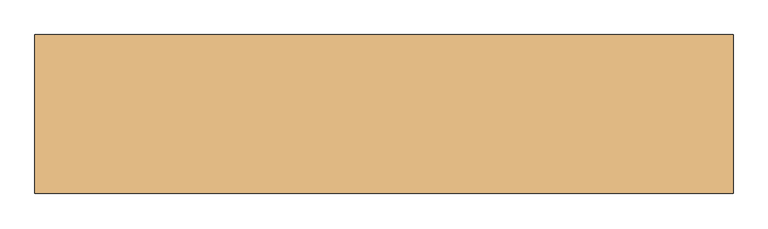
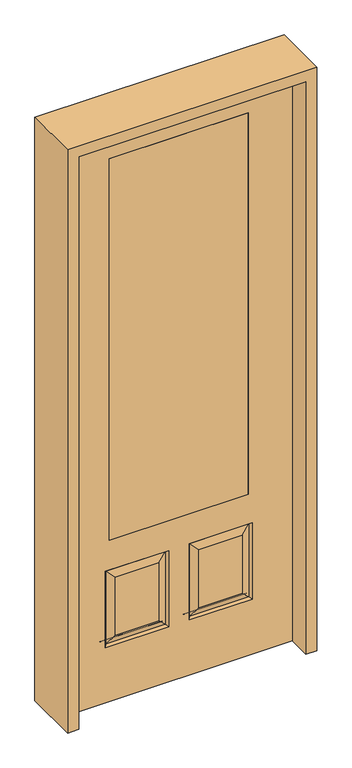
"""IFC4 building model written with IfcOpenShell, lengths in millimetres: door geometry."""

from ifc_helpers import new_model, si_unit, frame, origin, place, context, project, spatial, polyline, outline, extrude, faceted_brep, source, transform, mapped, element, save


def door_28e4799d(model_context):
    return source(origin(), model_context, "Body", "SolidModel", [
        faceted_brep([(279.4, 20.6375, 685.8), (279.4, -20.6375, 685.8), (279.4, -20.6375, 2311.4), (279.4, 20.6375, 2311.4), (-279.4, 20.6375, 685.8), (-279.4, -20.6375, 685.8), (-80.1727627, 20.6375, 273.8477627), (-256.3772373, 20.6375, 273.8477627), (-256.3772373, 20.6375, 520.4102373), (-80.1727627, 20.6375, 520.4102373), (256.3772373, 20.6375, 273.8477627), (80.1727627, 20.6375, 273.8477627), (80.1727627, 20.6375, 520.4102373), (256.3772373, 20.6375, 520.4102373), (-457.2, 20.6375, 2438.4), (457.2, 20.6375, 2438.4), (457.2, 20.6375, 0.0), (-457.2, 20.6375, 0.0), (-279.4, 20.6375, 2311.4), (-295.275, 20.6375, 234.95), (-41.275, 20.6375, 234.95), (-41.275, 20.6375, 559.308), (-295.275, 20.6375, 559.308), (41.275, 20.6375, 234.95), (295.275, 20.6375, 234.95), (295.275, 20.6375, 559.308), (41.275, 20.6375, 559.308), (-279.4, -20.6375, 2311.4), (80.1727627, -20.6375, 273.8477627), (256.3772373, -20.6375, 273.8477627), (256.3772373, -20.6375, 520.4102373), (80.1727627, -20.6375, 520.4102373), (-256.3772373, -20.6375, 273.8477627), (-80.1727627, -20.6375, 273.8477627), (-80.1727627, -20.6375, 520.4102373), (-256.3772373, -20.6375, 520.4102373), (457.2, -20.6375, 2438.4), (-457.2, -20.6375, 2438.4), (-457.2, -20.6375, 0.0), (457.2, -20.6375, 0.0), (295.275, -20.6375, 234.95), (41.275, -20.6375, 234.95), (41.275, -20.6375, 559.308), (295.275, -20.6375, 559.308), (-41.275, -20.6375, 234.95), (-295.275, -20.6375, 234.95), (-295.275, -20.6375, 559.308), (-41.275, -20.6375, 559.308), (-287.8714647, 11.4399763, 242.3535353), (-48.6785353, 11.4399763, 242.3535353), (-48.6785353, 11.4399763, 551.9044647), (-287.8714647, 11.4399763, 551.9044647), (48.6785353, 11.4399763, 242.3535353), (287.8714647, 11.4399763, 242.3535353), (287.8714647, 11.4399763, 551.9044647), (48.6785353, 11.4399763, 551.9044647), (287.8714647, -11.4399763, 242.3535353), (48.6785353, -11.4399763, 242.3535353), (48.6785353, -11.4399763, 551.9044647), (287.8714647, -11.4399763, 551.9044647), (-48.6785353, -11.4399763, 242.3535353), (-287.8714647, -11.4399763, 242.3535353), (-287.8714647, -11.4399763, 551.9044647), (-48.6785353, -11.4399763, 551.9044647)], [[[0, 1, 2, 3]], [[1, 0, 4, 5]], [[6, 7, 8, 9]], [[10, 11, 12, 13]], [[14, 15, 16, 17], [4, 0, 3, 18], [19, 20, 21, 22], [23, 24, 25, 26]], [[5, 4, 18, 27]], [[28, 29, 30, 31]], [[32, 33, 34, 35]], [[36, 37, 38, 39], [1, 5, 27, 2], [40, 41, 42, 43], [44, 45, 46, 47]], [[39, 38, 17, 16]], [[37, 14, 17, 38]], [[15, 36, 39, 16]], [[19, 48, 49, 20]], [[20, 49, 50, 21]], [[51, 22, 21, 50]], [[48, 19, 22, 51]], [[49, 48, 7, 6]], [[7, 48, 51, 8]], [[8, 51, 50, 9]], [[49, 6, 9, 50]], [[52, 53, 24, 23]], [[24, 53, 54, 25]], [[25, 54, 55, 26]], [[52, 23, 26, 55]], [[53, 52, 11, 10]], [[11, 52, 55, 12]], [[54, 13, 12, 55]], [[53, 10, 13, 54]], [[40, 56, 57, 41]], [[41, 57, 58, 42]], [[59, 43, 42, 58]], [[56, 40, 43, 59]], [[57, 56, 29, 28]], [[29, 56, 59, 30]], [[30, 59, 58, 31]], [[57, 28, 31, 58]], [[60, 61, 45, 44]], [[45, 61, 62, 46]], [[46, 62, 63, 47]], [[60, 44, 47, 63]], [[61, 60, 33, 32]], [[33, 60, 63, 34]], [[62, 35, 34, 63]], [[61, 32, 35, 62]], [[3, 2, 27, 18]], [[36, 15, 14, 37]]]),
        extrude(outline(polyline([(279.4, -20.6375), (-279.4, -20.6375), (-279.4, 20.6375), (279.4, 20.6375), (279.4, -20.6375)])), frame((0.0, 0.0, 685.8), z_axis=(0.0, 0.0, 1.0), x_axis=(1.0, 0.0, 0.0)), (0.0, 0.0, 1.0), 1625.6),
        extrude(outline(polyline([(2482.85, -501.65), (0.0, -501.65), (0.0, -457.2), (2438.4, -457.2), (2438.4, 457.2), (0.0, 457.2), (0.0, 501.65), (2482.85, 501.65), (2482.85, -501.65)])), frame((0.0, -114.3, 0.0), z_axis=(0.0, 1.0, 0.0), x_axis=(0.0, 0.0, 1.0)), (0.0, 0.0, 1.0), 228.6),
    ])


if __name__ == "__main__":
    model = new_model("IFC4")
    model_context = context("Model", 3, world=origin())
    ifc_project = project(units=[si_unit("LENGTHUNIT", "METRE", prefix="MILLI")], contexts=[model_context])
    site = spatial("IfcSite", under=ifc_project)
    building = spatial("IfcBuilding", under=site)
    placement = place(None, origin())
    door_shape = door_28e4799d(model_context)
    element("IfcDoor", 1, at=placement, inside=building, context=model_context, shape_type="MappedRepresentation", body=[
        mapped(door_shape, transform((0.0, 0.0, 0.0), x_axis=(1.0, 0.0, 0.0), y_axis=(0.0, 1.0, 0.0), z_axis=(0.0, 0.0, 1.0))),
    ])
    save(model, "model.ifc")
